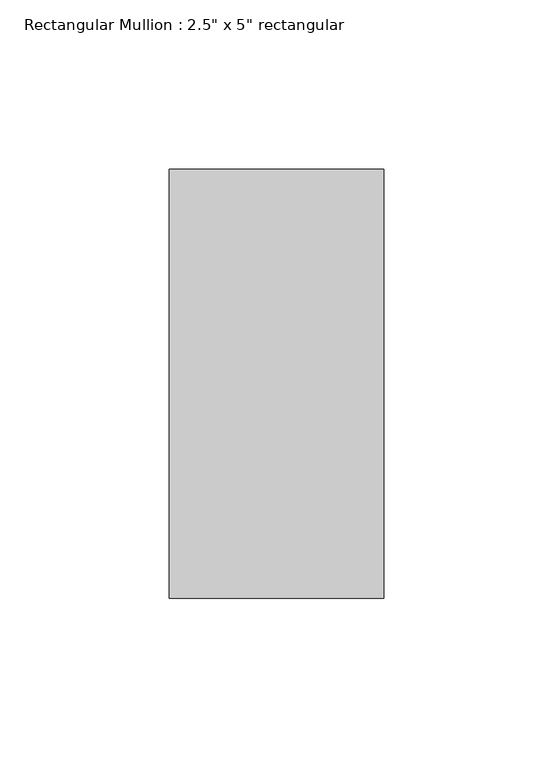
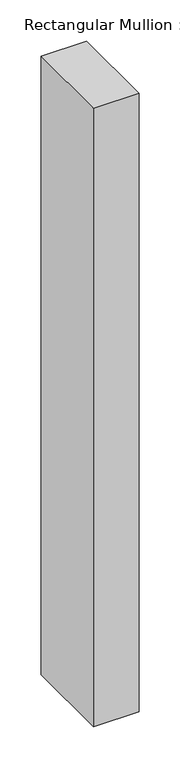
"""IFC4 building model written with IfcOpenShell, lengths in millimetres: member geometry."""

from ifc_helpers import new_model, si_unit, frame, origin, place, context, project, spatial, polyline, outline, extrude, source, transform, mapped, element, save


def member_bbbd5ffe(model_context):
    return source(origin(), model_context, "Body", "SweptSolid", [
        extrude(outline(polyline([(0.0, 63.5), (0.0, -63.5), (-63.5, -63.5), (-63.5, 63.5), (0.0, 63.5)])), frame((0.0, 0.0, -914.6), z_axis=(0.0, 0.0, 1.0), x_axis=(1.0, 0.0, 0.0)), (0.0, 0.0, 1.0), 914.6),
    ])


if __name__ == "__main__":
    model = new_model("IFC4")
    model_context = context("Model", 3, world=origin())
    ifc_project = project(units=[si_unit("LENGTHUNIT", "METRE", prefix="MILLI")], contexts=[model_context])
    site = spatial("IfcSite", under=ifc_project)
    building = spatial("IfcBuilding", under=site)
    placement = place(None, origin())
    member_shape = member_bbbd5ffe(model_context)
    element("IfcMember", 1, ObjectType="Rectangular Mullion : 2.5\" x 5\" rectangular", at=placement, inside=building, context=model_context, shape_type="MappedRepresentation", body=[
        mapped(member_shape, transform((0.0, 0.0, 0.0), x_axis=(1.0, 0.0, 0.0), y_axis=(0.0, 1.0, 0.0), z_axis=(0.0, 0.0, 1.0))),
    ])
    save(model, "model.ifc")
